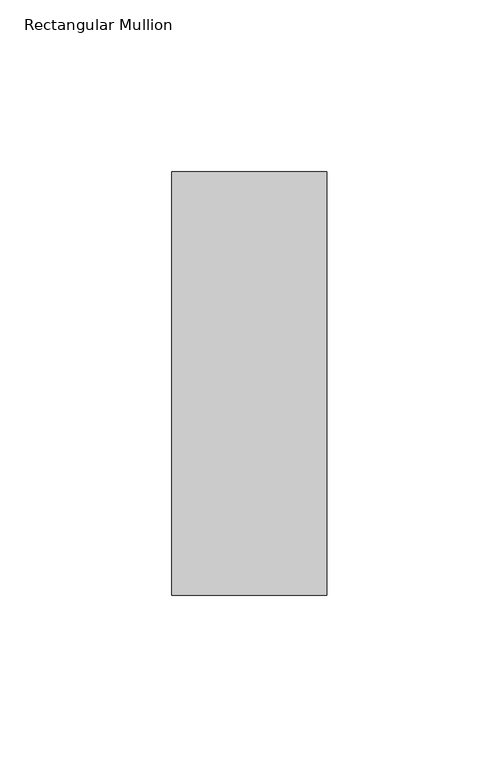
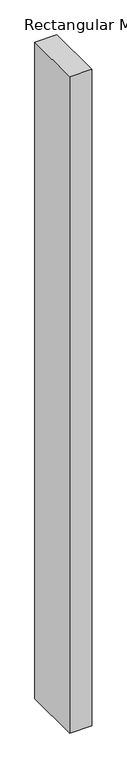
"""IFC4 building model written with IfcOpenShell, lengths in millimetres: member geometry, Rectangular Mullion."""

from ifc_helpers import new_model, si_unit, frame, origin, place, context, project, spatial, polyline, outline, extrude, source, transform, mapped, element, save


def rectangular_mullion_30f9f9b0(model_context):
    return source(origin(), model_context, "Body", "SweptSolid", [
        extrude(outline(polyline([(22.5, 77.05), (22.5, -46.05), (-22.5, -46.05), (-22.5, 77.05), (22.5, 77.05)])), frame((0.0, 0.0, -1418.0437978), z_axis=(0.0, 0.0, 1.0), x_axis=(1.0, 0.0, 0.0)), (0.0, 0.0, 1.0), 1418.0437978),
    ])


if __name__ == "__main__":
    model = new_model("IFC4")
    model_context = context("Model", 3, world=origin())
    ifc_project = project(units=[si_unit("LENGTHUNIT", "METRE", prefix="MILLI")], contexts=[model_context])
    site = spatial("IfcSite", under=ifc_project)
    building = spatial("IfcBuilding", under=site)
    placement = place(None, origin())
    rectangular_mullion_shape = rectangular_mullion_30f9f9b0(model_context)
    element("IfcMember", 1, ObjectType="Rectangular Mullion", at=placement, inside=building, context=model_context, shape_type="MappedRepresentation", body=[
        mapped(rectangular_mullion_shape, transform((0.0, 0.0, 0.0), x_axis=(1.0, 0.0, 0.0), y_axis=(0.0, 1.0, 0.0), z_axis=(0.0, 0.0, 1.0))),
    ])
    save(model, "model.ifc")
